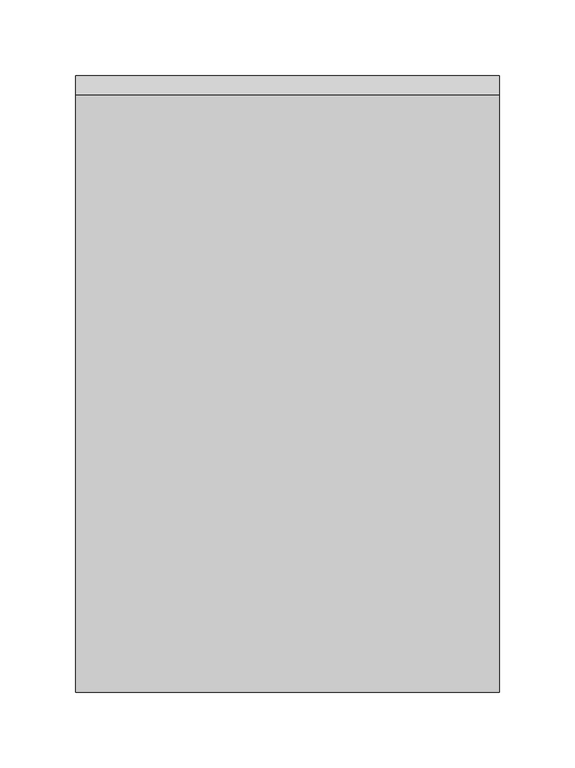
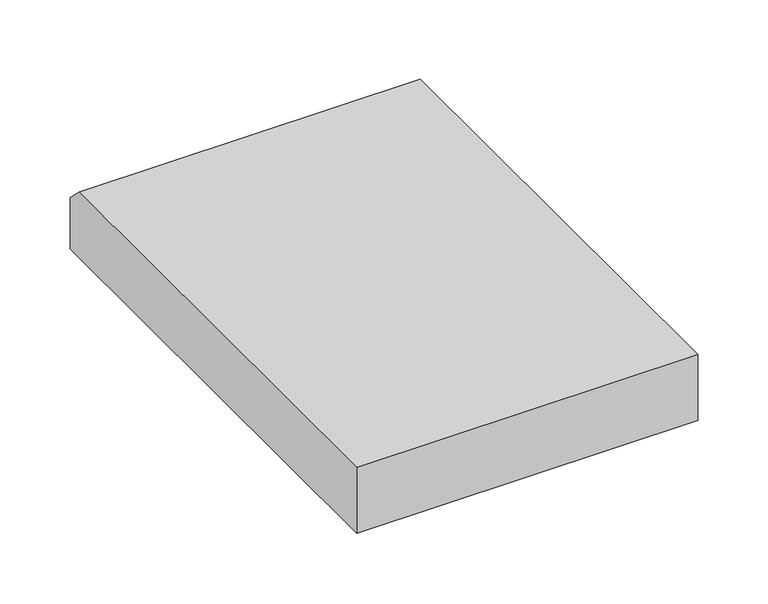
"""IFC4 building model written with IfcOpenShell, lengths in millimetres: proxy geometry."""

from ifc_helpers import new_model, si_unit, frame, origin, place, context, project, spatial, polyline, outline, extrude, source, transform, mapped, element, save


def generic_models_1dd52900(model_context):
    return source(origin(), model_context, "Body", "SweptSolid", [
        extrude(outline(polyline([(406.4, 0.0), (0.0, 0.0), (0.0, 57.15), (393.7, 57.15), (406.4, 44.45), (406.4, 0.0)])), frame((0.0, 0.0, 0.0), z_axis=(1.0, 0.0, 0.0), x_axis=(0.0, 1.0, 0.0)), (0.0, 0.0, 1.0), 279.4),
    ])


if __name__ == "__main__":
    model = new_model("IFC4")
    model_context = context("Model", 3, world=origin())
    ifc_project = project(units=[si_unit("LENGTHUNIT", "METRE", prefix="MILLI")], contexts=[model_context])
    site = spatial("IfcSite", under=ifc_project)
    building = spatial("IfcBuilding", under=site)
    placement = place(None, origin())
    generic_models_shape = generic_models_1dd52900(model_context)
    element("IfcBuildingElementProxy", 1, Name="Generic Models", at=placement, inside=building, context=model_context, shape_type="MappedRepresentation", body=[
        mapped(generic_models_shape, transform((0.0, 0.0, 0.0), x_axis=(1.0, 0.0, 0.0), y_axis=(0.0, 1.0, 0.0), z_axis=(0.0, 0.0, 1.0))),
    ])
    save(model, "model.ifc")
